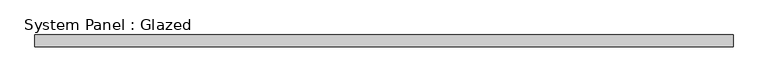
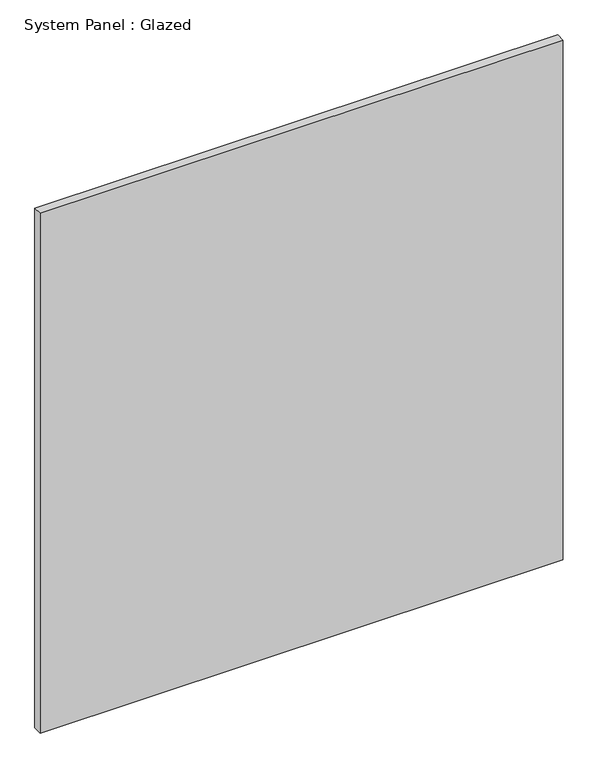
"""IFC4 building model written with IfcOpenShell, lengths in millimetres: plate geometry, System Panel : Glazed."""

from ifc_helpers import new_model, si_unit, origin, origin_with_axes, place, context, project, spatial, polyline, outline, extrude, source, transform, mapped, element, save


def system_panel_glazed_e50f896c(model_context):
    return source(origin(), model_context, "Body", "SweptSolid", [
        extrude(outline(polyline([(726.1929397, 24.5), (-726.1929397, 24.5), (-726.1929397, 49.5), (726.1929397, 49.5), (726.1929397, 24.5)])), origin_with_axes(), (0.0, 0.0, 1.0), 1525.0),
    ])


if __name__ == "__main__":
    model = new_model("IFC4")
    model_context = context("Model", 3, world=origin())
    ifc_project = project(units=[si_unit("LENGTHUNIT", "METRE", prefix="MILLI")], contexts=[model_context])
    site = spatial("IfcSite", under=ifc_project)
    building = spatial("IfcBuilding", under=site)
    placement = place(None, origin())
    system_panel_glazed_shape = system_panel_glazed_e50f896c(model_context)
    element("IfcPlate", 1, ObjectType="System Panel : Glazed", at=placement, inside=building, context=model_context, shape_type="MappedRepresentation", body=[
        mapped(system_panel_glazed_shape, transform((0.0, 0.0, 0.0), x_axis=(1.0, 0.0, 0.0), y_axis=(0.0, 1.0, 0.0), z_axis=(0.0, 0.0, 1.0))),
    ])
    save(model, "model.ifc")
